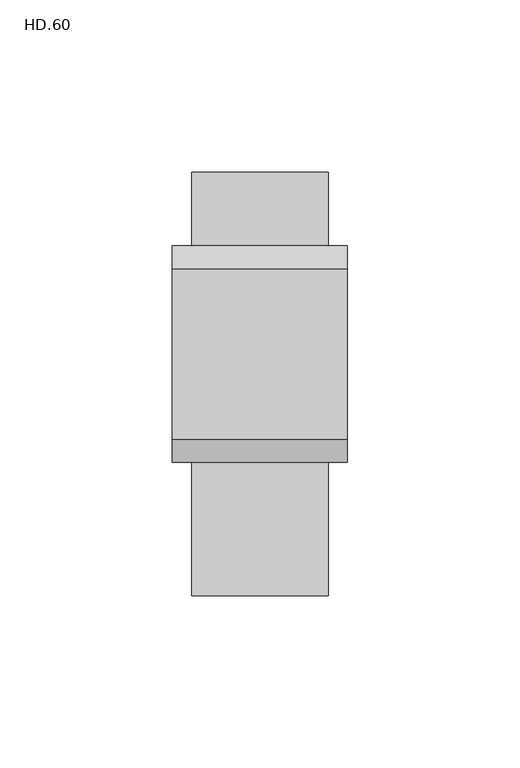
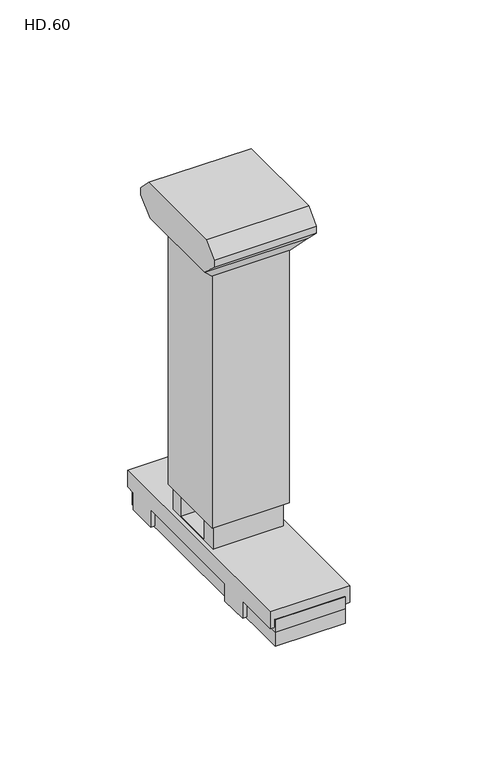
"""IFC4 building model written with IfcOpenShell, lengths in millimetres: proxy geometry, HD.60."""

from ifc_helpers import new_model, si_unit, frame, origin, origin_with_axes, place, context, project, spatial, polyline, outline, extrude, faceted_brep, source, transform, mapped, element, save


def hd_60_311d1ac6(model_context):
    return source(origin(), model_context, "Body", "SolidModel", [
        extrude(outline(polyline([(-19.05, 19.05), (19.05, 19.05), (19.05, -19.05), (-19.05, -19.05), (-19.05, 19.05)]), holes=[polyline([(-17.399, 17.399), (-17.399, -17.399), (17.399, -17.399), (17.399, 17.399), (-17.399, 17.399)])]), frame((0.0, 0.0, 31.75), z_axis=(0.0, 0.0, 1.0), x_axis=(1.0, 0.0, 0.0)), (0.0, 0.0, 1.0), 152.4),
        extrude(outline(polyline([(17.399, 72.7692489), (17.399, 13.88), (52.7089, 13.88), (52.7089, 7.53), (-70.1086606, 7.53), (-70.1086606, 13.88), (-16.701, 13.88), (-16.701, 70.1320224), (-9.081, 70.1320224), (-9.081, 19.1102704), (11.049, 19.1102704), (11.049, 72.7692489), (17.399, 72.7692489)])), frame((-17.399, 0.0, 0.0), z_axis=(1.0, 0.0, 0.0), x_axis=(0.0, 1.0, 0.0)), (0.0, 0.0, 1.0), 34.798),
        extrude(outline(polyline([(17.399, 52.7089), (17.399, -70.1086606), (-17.399, -70.1086606), (-17.399, 52.7089), (17.399, 52.7089)])), origin_with_axes(), (0.0, 0.0, 1.0), 7.53),
        faceted_brep([(19.05, 19.05, 163.913), (19.05, -19.05, 163.913), (-19.05, -19.05, 163.913), (-19.05, 19.05, 163.913), (25.4, -23.403098, 170.8192153), (-25.4, -23.403098, 170.8192153), (-25.4, 23.403098, 170.8192153), (25.4, 23.403098, 170.8192153), (25.4, 31.4506428, 178.4427679), (25.4, 31.4506428, 182.1736684), (25.4, 24.7113112, 188.913), (25.4, -24.7113112, 188.913), (25.4, -31.4506428, 182.1736684), (25.4, -31.4506428, 178.4427679), (-25.4, -31.4506428, 178.4427679), (-25.4, -31.4506428, 182.1736684), (-25.4, -24.7113112, 188.913), (-25.4, 24.7113112, 188.913), (-25.4, 31.4506428, 182.1736684), (-25.4, 31.4506428, 178.4427679)], [[[0, 1, 2, 3]], [[2, 1, 4, 5]], [[0, 3, 6, 7]], [[3, 2, 5, 6]], [[1, 0, 7, 4]], [[7, 8, 9, 10, 11, 12, 13, 4]], [[5, 14, 15, 16, 17, 18, 19, 6]], [[8, 7, 6, 19]], [[9, 8, 19, 18]], [[10, 9, 18, 17]], [[11, 10, 17, 16]], [[12, 11, 16, 15]], [[13, 12, 15, 14]], [[4, 13, 14, 5]]]),
        faceted_brep([(19.7786805, -70.1086606, 18.96), (19.7786805, -70.1086606, 10.07), (19.7786805, -46.1906955, 10.07), (19.7786805, -46.1906955, 1.0), (19.7786805, -31.0863205, 1.0), (19.7786805, -31.0863205, 10.07), (19.7786805, 32.8213205, 10.07), (19.7786805, 32.8213205, 1.0), (19.7786805, 47.9256955, 1.0), (19.7786805, 47.9256955, 10.07), (19.7786805, 52.7089, 10.07), (19.7786805, 52.7089, 18.96), (-19.7729575, -70.1086606, 18.96), (-19.7729575, 52.7089, 18.96), (-19.7729575, 52.7089, 10.07), (-19.7729575, 47.9256955, 10.07), (-19.7729575, 47.9256955, 1.0), (-19.7729575, 32.8213205, 1.0), (-19.7729575, 32.8213205, 10.07), (-19.7729575, -31.0863205, 10.07), (-19.7729575, -31.0863205, 1.0), (-19.7729575, -46.1906955, 1.0), (-19.7729575, -46.1906955, 10.07), (-19.7729575, -70.1086606, 10.07), (-17.399, -70.1086606, 10.07), (-17.399, -70.1086606, 13.88), (17.399, -70.1086606, 13.88), (17.399, -70.1086606, 10.07), (17.399, -46.1906955, 10.07), (-17.399, -46.1906955, 10.07), (17.399, 52.7089, 10.07), (17.399, 52.7089, 13.88), (-17.399, 52.7089, 13.88), (-17.399, 52.7089, 10.07), (17.399, 17.399, 18.96), (17.399, -16.701, 18.96), (-17.399, -16.701, 18.96), (-17.399, 17.399, 18.96), (17.399, -46.1906955, 7.53), (-17.399, -46.1906955, 7.53), (-17.399, -31.0863205, 10.07), (-17.399, -31.0863205, 7.53), (17.399, -31.0863205, 7.53), (17.399, -31.0863205, 10.07), (17.399, 32.8213205, 10.07), (-17.399, 32.8213205, 10.07), (17.399, 32.8213205, 7.53), (-17.399, 32.8213205, 7.53), (-17.399, 47.9256955, 10.07), (-17.399, 47.9256955, 7.53), (17.399, 47.9256955, 7.53), (17.399, 47.9256955, 10.07), (17.399, -16.701, 13.88), (17.399, 17.399, 13.88), (-17.399, -16.701, 13.88), (-17.399, 17.399, 13.88)], [[[0, 1, 2, 3, 4, 5, 6, 7, 8, 9, 10, 11]], [[12, 13, 14, 15, 16, 17, 18, 19, 20, 21, 22, 23]], [[1, 0, 12, 23, 24, 25, 26, 27]], [[2, 1, 27, 28]], [[23, 22, 29, 24]], [[11, 10, 30, 31, 32, 33, 14, 13]], [[0, 11, 13, 12], [34, 35, 36, 37]], [[3, 2, 28, 38, 39, 29, 22, 21]], [[4, 3, 21, 20]], [[5, 4, 20, 19, 40, 41, 42, 43]], [[6, 5, 43, 44]], [[19, 18, 45, 40]], [[7, 6, 44, 46, 47, 45, 18, 17]], [[8, 7, 17, 16]], [[9, 8, 16, 15, 48, 49, 50, 51]], [[10, 9, 51, 30]], [[15, 14, 33, 48]], [[42, 38, 28, 27, 26, 52, 35, 34, 53, 31, 30, 51, 50, 46, 44, 43]], [[26, 25, 54, 52]], [[32, 31, 53, 55]], [[39, 41, 40, 45, 47, 49, 48, 33, 32, 55, 37, 36, 54, 25, 24, 29]], [[53, 34, 37, 55]], [[35, 52, 54, 36]], [[41, 39, 38, 42]], [[49, 47, 46, 50]]]),
    ])


if __name__ == "__main__":
    model = new_model("IFC4")
    model_context = context("Model", 3, world=origin())
    ifc_project = project(units=[si_unit("LENGTHUNIT", "METRE", prefix="MILLI")], contexts=[model_context])
    site = spatial("IfcSite", under=ifc_project)
    building = spatial("IfcBuilding", under=site)
    placement = place(None, origin())
    hd_60_shape = hd_60_311d1ac6(model_context)
    element("IfcBuildingElementProxy", 1, Name="HD.60", ObjectType="HD.60", at=placement, inside=building, context=model_context, shape_type="MappedRepresentation", body=[
        mapped(hd_60_shape, transform((0.0, 0.0, 0.0), x_axis=(1.0, 0.0, 0.0), y_axis=(0.0, 1.0, 0.0), z_axis=(0.0, 0.0, 1.0))),
    ])
    save(model, "model.ifc")
